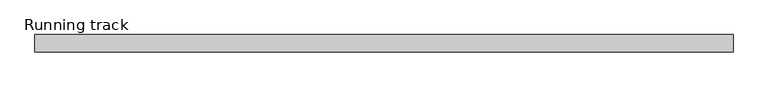
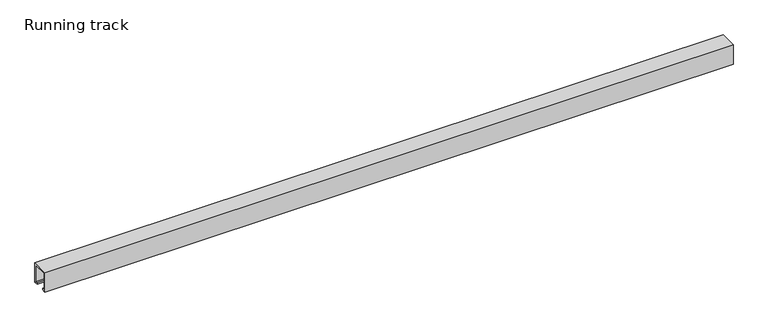
"""IFC4 building model written with IfcOpenShell, lengths in millimetres: proxy geometry, Running track."""

from ifc_helpers import new_model, si_unit, point, frame, frame_2d, origin, origin_with_axes, place, context, project, spatial, polyline, circle_curve, trimmed, segment, composite_curve, outline, extrude, faceted_brep, source, transform, mapped, element, save


def running_track_7771eeef(model_context):
    return source(origin(), model_context, "Body", "SolidModel", [
        extrude(outline(composite_curve([segment(trimmed(circle_curve(frame_2d((0.0, 18.67839)), 6.3335878), [point((6.3335878, 18.67839))], [point((-6.3335878, 18.67839))], False, "CARTESIAN"), True, "CONTINUOUS"), segment(trimmed(circle_curve(frame_2d((0.0, 18.67839)), 6.3335878), [point((-6.3335878, 18.67839))], [point((6.3335878, 18.67839))], False, "CARTESIAN"), True, "CONTINUOUS")], self_intersect=False)), frame((1268.0, 0.0, 0.0), z_axis=(1.0, 0.0, 0.0), x_axis=(0.0, 1.0, 0.0)), (0.0, 0.0, 1.0), 4.0),
        faceted_brep([(1314.5, 14.5, 36.5), (1314.5, 14.5, 3.0), (1272.0, 14.5, 3.0), (1272.0, 14.5, 36.5), (1314.5, -14.5, 36.5), (1272.0, -14.5, 36.5), (1272.0, -14.5, 3.0), (1314.5, -14.5, 3.0), (1272.0, 12.5, 36.5), (1311.9235205, 12.5, 36.5), (1311.9235205, -12.531559, 36.5), (1272.0, -12.531559, 36.5), (1272.0, -12.531559, 25.3706125), (1272.0, 12.5, 25.3706125), (1311.9235205, 12.5, 25.3706125), (1311.9235205, -12.531559, 25.3706125)], [[[0, 1, 2, 3]], [[4, 5, 6, 7]], [[3, 8, 9, 10, 11, 5, 4, 0]], [[2, 6, 5, 11, 12, 13, 8, 3]], [[1, 7, 6, 2]], [[0, 4, 7, 1]], [[14, 9, 8, 13]], [[15, 12, 11, 10]], [[15, 10, 9, 14]], [[14, 13, 12, 15]]]),
        extrude(outline(polyline([(1314.5, 12.5), (1314.5, -12.531559), (1270.0024224, -12.531559), (1270.0024224, 12.5), (1314.5, 12.5)])), origin_with_axes(), (0.0, 0.0, 1.0), 3.0),
        extrude(outline(polyline([(36.5, 1257.1109747), (36.5, 1233.4983788), (33.2695661, 1233.4983788), (33.2695661, 1235.332539), (24.3170527, 1310.6793739), (32.9021554, 1310.6793739), (36.5, 1257.1109747)])), frame((0.0, -12.531559, 0.0), z_axis=(0.0, 1.0, 0.0), x_axis=(0.0, 0.0, 1.0)), (0.0, 0.0, 1.0), 25.031559),
        extrude(outline(polyline([(-17.0, 40.0), (17.0, 40.0), (17.0, 0.0), (9.0, 0.0), (9.0, 3.0), (14.0, 3.0), (14.0, 37.0), (-14.0, 37.0), (-14.0, 3.0), (-9.0, 3.0), (-9.0, 0.0), (-17.0, 0.0), (-17.0, 40.0)])), frame((0.0, 0.0, 0.0), z_axis=(1.0, 0.0, 0.0), x_axis=(0.0, 1.0, 0.0)), (0.0, 0.0, 1.0), 1350.0),
    ])


if __name__ == "__main__":
    model = new_model("IFC4")
    model_context = context("Model", 3, world=origin())
    ifc_project = project(units=[si_unit("LENGTHUNIT", "METRE", prefix="MILLI")], contexts=[model_context])
    site = spatial("IfcSite", under=ifc_project)
    building = spatial("IfcBuilding", under=site)
    placement = place(None, origin())
    running_track_shape = running_track_7771eeef(model_context)
    element("IfcBuildingElementProxy", 1, Name="Running track", ObjectType="Running track", at=placement, inside=building, context=model_context, shape_type="MappedRepresentation", body=[
        mapped(running_track_shape, transform((0.0, 0.0, 0.0), x_axis=(1.0, 0.0, 0.0), y_axis=(0.0, 1.0, 0.0), z_axis=(0.0, 0.0, 1.0))),
    ])
    save(model, "model.ifc")
